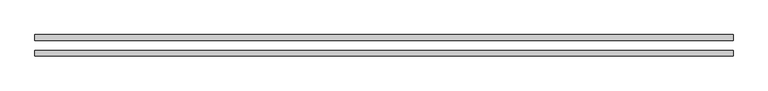
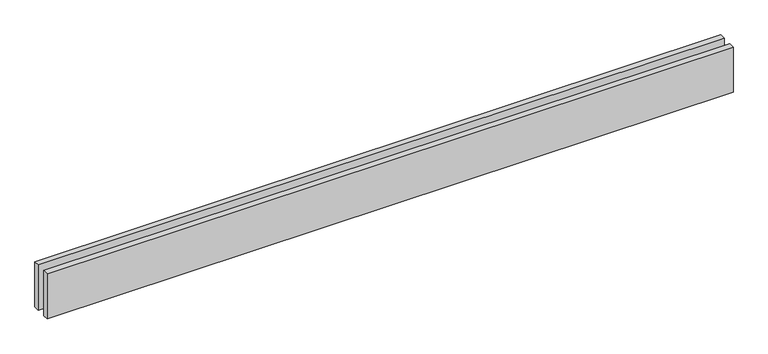
"""IFC4 building model written with IfcOpenShell, lengths in millimetres: proxy geometry."""

from ifc_helpers import new_model, si_unit, origin, origin_with_axes, place, context, project, spatial, polyline, outline, extrude, source, transform, mapped, element, save


def generic_models_7ee2990a(model_context):
    return source(origin(), model_context, "Body", "SweptSolid", [
        extrude(outline(polyline([(3579.7691321, -25.0), (3579.7691321, -55.0), (0.0, -55.0), (0.0, -25.0), (3579.7691321, -25.0)])), origin_with_axes(), (0.0, 0.0, 1.0), 250.0),
        extrude(outline(polyline([(3579.7691321, 55.0), (3579.7691321, 25.0), (0.0, 25.0), (0.0, 55.0), (3579.7691321, 55.0)])), origin_with_axes(), (0.0, 0.0, 1.0), 250.0),
    ])


if __name__ == "__main__":
    model = new_model("IFC4")
    model_context = context("Model", 3, world=origin())
    ifc_project = project(units=[si_unit("LENGTHUNIT", "METRE", prefix="MILLI")], contexts=[model_context])
    site = spatial("IfcSite", under=ifc_project)
    building = spatial("IfcBuilding", under=site)
    placement = place(None, origin())
    generic_models_shape = generic_models_7ee2990a(model_context)
    element("IfcBuildingElementProxy", 1, Name="Generic Models", at=placement, inside=building, context=model_context, shape_type="MappedRepresentation", body=[
        mapped(generic_models_shape, transform((0.0, 0.0, 0.0), x_axis=(1.0, 0.0, 0.0), y_axis=(0.0, 1.0, 0.0), z_axis=(0.0, 0.0, 1.0))),
    ])
    save(model, "model.ifc")
